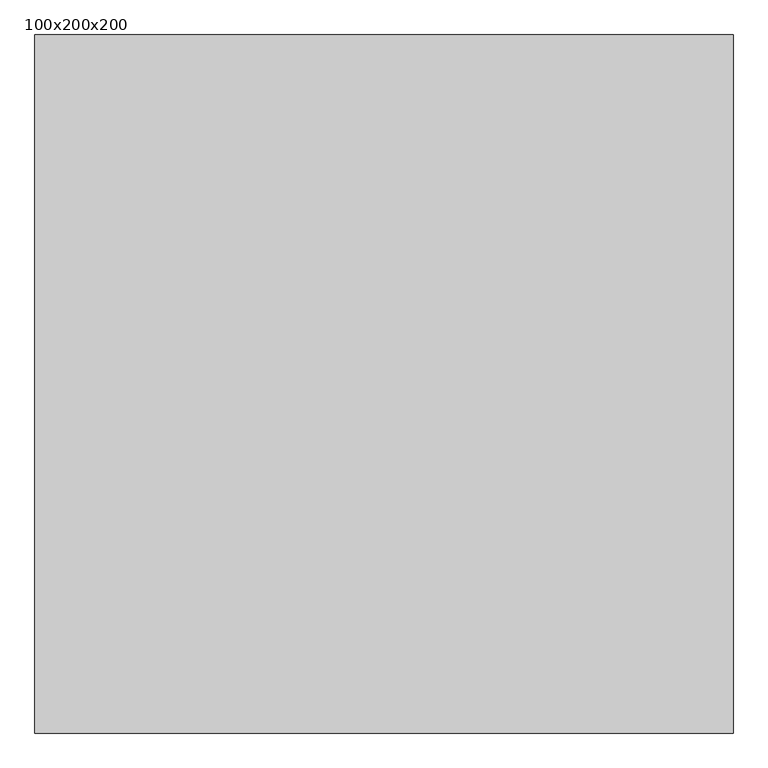
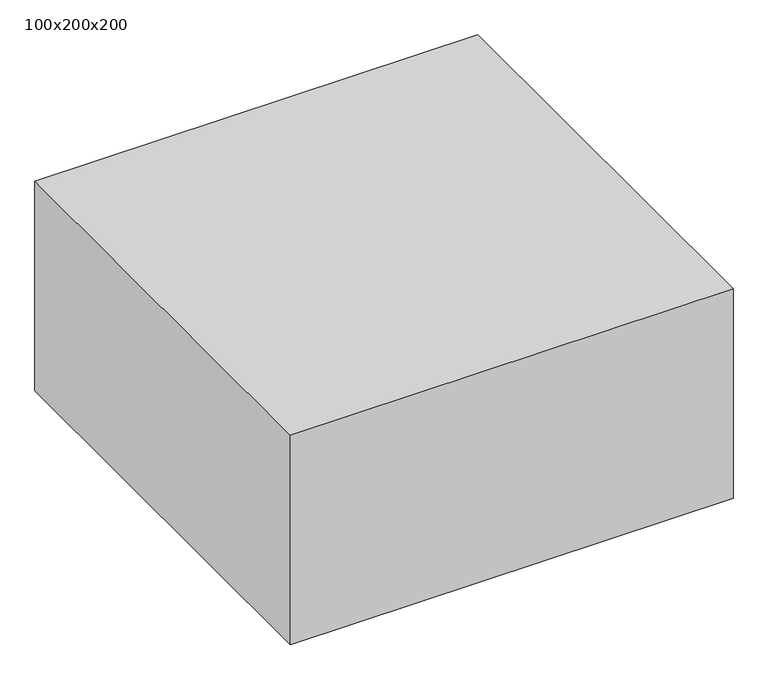
"""IFC4 building model written with IfcOpenShell, lengths in millimetres: proxy geometry, 100x200x200."""

from ifc_helpers import new_model, si_unit, origin, origin_with_axes, place, context, project, spatial, polyline, outline, extrude, source, transform, mapped, element, save


def proxy_100x200x200_967d30c4(model_context):
    return source(origin(), model_context, "Body", "SweptSolid", [
        extrude(outline(polyline([(2000.0, 2000.0), (2000.0, 0.0), (0.0, 0.0), (0.0, 2000.0), (2000.0, 2000.0)])), origin_with_axes(), (0.0, 0.0, 1.0), 1000.0),
    ])


if __name__ == "__main__":
    model = new_model("IFC4")
    model_context = context("Model", 3, world=origin())
    ifc_project = project(units=[si_unit("LENGTHUNIT", "METRE", prefix="MILLI")], contexts=[model_context])
    site = spatial("IfcSite", under=ifc_project)
    building = spatial("IfcBuilding", under=site)
    placement = place(None, origin())
    proxy_100x200x200_shape = proxy_100x200x200_967d30c4(model_context)
    element("IfcBuildingElementProxy", 1, Name="100x200x200", ObjectType="100x200x200", at=placement, inside=building, context=model_context, shape_type="MappedRepresentation", body=[
        mapped(proxy_100x200x200_shape, transform((0.0, 0.0, 0.0), x_axis=(1.0, 0.0, 0.0), y_axis=(0.0, 1.0, 0.0), z_axis=(0.0, 0.0, 1.0))),
    ])
    save(model, "model.ifc")
